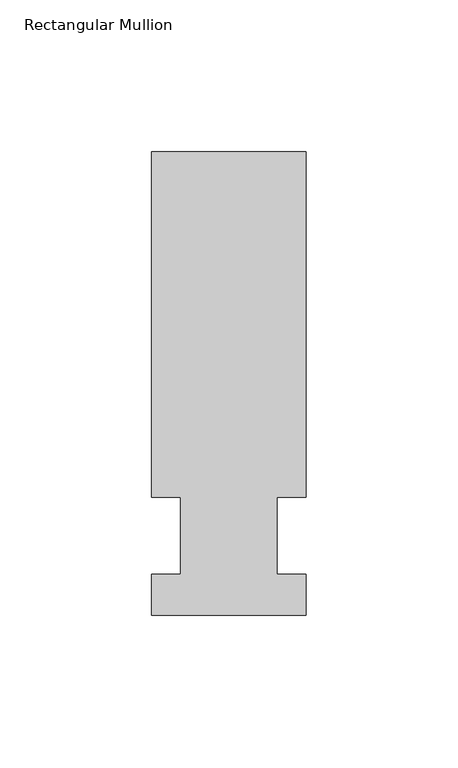
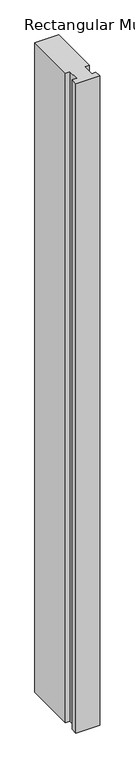
"""IFC4 building model written with IfcOpenShell, lengths in millimetres: member geometry, Rectangular Mullion."""

from ifc_helpers import new_model, si_unit, frame, origin, place, context, project, spatial, polyline, outline, extrude, source, transform, mapped, element, save


def rectangular_mullion_49632178(model_context):
    return source(origin(), model_context, "Body", "SweptSolid", [
        extrude(outline(polyline([(-25.4, -26.19375), (-25.4, -12.7), (-15.875, -12.7), (-15.875, 12.7), (-25.4, 12.7), (-25.4, 126.20625), (25.4, 126.20625), (25.4, 12.7), (15.875, 12.7), (15.875, -12.7), (25.4, -12.7), (25.4, -26.19375), (-25.4, -26.19375)])), frame((0.0, 0.0, -1473.2), z_axis=(0.0, 0.0, 1.0), x_axis=(1.0, 0.0, 0.0)), (0.0, 0.0, 1.0), 1473.2),
    ])


if __name__ == "__main__":
    model = new_model("IFC4")
    model_context = context("Model", 3, world=origin())
    ifc_project = project(units=[si_unit("LENGTHUNIT", "METRE", prefix="MILLI")], contexts=[model_context])
    site = spatial("IfcSite", under=ifc_project)
    building = spatial("IfcBuilding", under=site)
    placement = place(None, origin())
    rectangular_mullion_shape = rectangular_mullion_49632178(model_context)
    element("IfcMember", 1, ObjectType="Rectangular Mullion", at=placement, inside=building, context=model_context, shape_type="MappedRepresentation", body=[
        mapped(rectangular_mullion_shape, transform((0.0, 0.0, 0.0), x_axis=(1.0, 0.0, 0.0), y_axis=(0.0, 1.0, 0.0), z_axis=(0.0, 0.0, 1.0))),
    ])
    save(model, "model.ifc")
